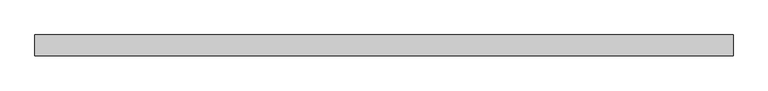
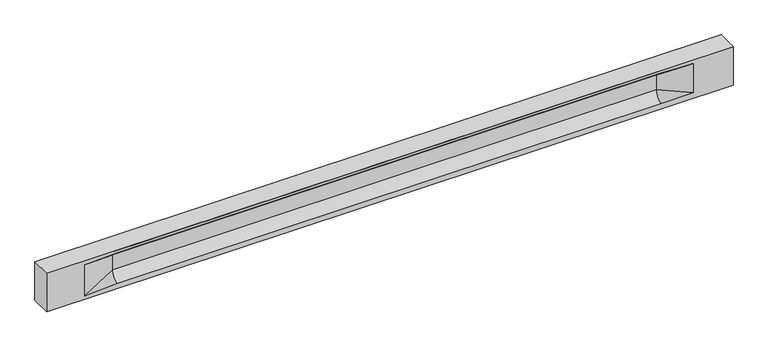
"""IFC4 building model written with IfcOpenShell, lengths in millimetres: beam geometry."""

from ifc_helpers import new_model, si_unit, frame, origin, place, context, project, spatial, polyline, circle_curve, source, transform, mapped, element, save
from ifc_brep_helpers import plane_surface, revolved_surface, spline_surface, advanced_brep


def beam_aae2626a(model_context):
    return source(origin(), model_context, "Body", "AdvancedBrep", [
        advanced_brep(
        [(8427.5, -250.0, 500.0), (8427.5, -250.0, -500.0), (8427.5, 250.0, -500.0), (8427.5, 250.0, 500.0), (-8427.5, -250.0, 500.0), (-8427.5, -250.0, -500.0), (7452.5, -250.0, -362.0), (6652.5, -250.0, -360.0), (-6697.5, -250.0, -360.0), (-7497.5, -250.0, -400.0), (-7497.5, -250.0, 400.0), (-6697.5, -250.0, 435.0), (6652.5, -250.0, 435.0), (7452.5, -250.0, 400.0), (-8427.5, 250.0, -500.0), (-8427.5, 250.0, 500.0), (7452.5, 250.0, 400.0), (6652.5, 250.0, 435.0), (-6697.5, 250.0, 435.0), (-7497.5, 250.0, 400.0), (-7497.5, 250.0, -400.0), (-6697.5, 250.0, -360.0), (6652.5, 250.0, -360.0), (7452.5, 250.0, -362.0), (6652.5, 155.0, 405.0), (-6697.5, 155.0, 405.0), (6652.5, 60.0, 262.777021), (-6697.5, 60.0, 262.777021), (6652.5, 60.0, -120.0), (-6697.5, 60.0, -120.0), (6652.5, -60.0, -120.0), (-6697.5, -60.0, -120.0), (6652.5, -60.0, 262.777021), (-6697.5, -60.0, 262.777021), (6652.5, -155.0, 405.0), (-6697.5, -155.0, 405.0)],
        [
            (0, 1),
            (1, 2),
            (2, 3),
            (3, 0),
            (0, 4),
            (4, 5),
            (5, 1),
            (6, 7),
            (7, 8),
            (8, 9),
            (9, 10),
            (10, 11),
            (11, 12),
            (12, 13),
            (13, 6),
            (5, 14),
            (14, 2),
            (14, 15),
            (15, 3),
            (16, 17),
            (17, 18),
            (18, 19),
            (19, 20),
            (20, 21),
            (21, 22),
            (22, 23),
            (23, 16),
            (15, 4),
            (17, 24),
            (24, 25),
            (25, 18),
            (24, 26, circle_curve(frame((6652.5, 213.9598725, 262.777021), z_axis=(1.0, 0.0, 0.0), x_axis=(0.0, 1.0, 0.0)), 153.9598725)),
            (26, 27),
            (27, 25, circle_curve(frame((-6697.5, 213.9598725, 262.777021), z_axis=(-1.0, 0.0, 0.0), x_axis=(0.0, 1.0, 0.0)), 153.9598725)),
            (26, 28),
            (28, 29),
            (29, 27),
            (28, 22, circle_curve(frame((6652.5, 306.5789474, -120.0), z_axis=(1.0, 0.0, 0.0), x_axis=(0.0, 1.0, 0.0)), 246.5789474)),
            (21, 29, circle_curve(frame((-6697.5, 306.5789474, -120.0), z_axis=(-1.0, 0.0, 0.0), x_axis=(0.0, 1.0, 0.0)), 246.5789474)),
            (7, 30, circle_curve(frame((6652.5, -306.5789474, -120.0), z_axis=(1.0, 0.0, 0.0), x_axis=(0.0, 1.0, 0.0)), 246.5789474)),
            (30, 31),
            (31, 8, circle_curve(frame((-6697.5, -306.5789474, -120.0), z_axis=(-1.0, 0.0, 0.0), x_axis=(0.0, 1.0, 0.0)), 246.5789474)),
            (30, 32),
            (32, 33),
            (33, 31),
            (32, 34, circle_curve(frame((6652.5, -213.9598725, 262.777021), z_axis=(1.0, 0.0, 0.0), x_axis=(0.0, 1.0, 0.0)), 153.9598725)),
            (34, 35),
            (35, 33, circle_curve(frame((-6697.5, -213.9598725, 262.777021), z_axis=(-1.0, 0.0, 0.0), x_axis=(0.0, 1.0, 0.0)), 153.9598725)),
            (34, 12),
            (11, 35),
            (27, 19),
            (19, 25),
            (10, 35),
            (10, 33),
            (9, 31),
            (20, 29),
            (34, 13),
            (32, 13),
            (30, 6),
            (28, 23),
            (26, 16),
            (24, 16),
        ],
        [
            plane_surface(frame((8427.5, 0.0, 0.0), z_axis=(1.0, 0.0, 0.0), x_axis=(0.0, 0.0, 1.0))),
            plane_surface(frame((8427.5, -250.0, 500.0), z_axis=(0.0, -1.0, 0.0), x_axis=(-1.0, 0.0, 0.0))),
            plane_surface(frame((8427.5, -250.0, -500.0), z_axis=(0.0, 0.0, -1.0), x_axis=(-1.0, 0.0, 0.0))),
            plane_surface(frame((8427.5, 250.0, -500.0), z_axis=(0.0, 1.0, 0.0), x_axis=(-1.0, 0.0, 0.0))),
            plane_surface(frame((8427.5, 250.0, 500.0), z_axis=(0.0, 0.0, 1.0), x_axis=(-1.0, 0.0, 0.0))),
            plane_surface(frame((-6697.5, 250.0, 435.0), z_axis=(0.0, 0.30113136793710954, -0.9535826651341378), x_axis=(1.0, 0.0, 0.0))),
            revolved_surface(polyline([(6652.5, 367.919745, 262.777021), (-6697.5, 367.919745, 262.777021)]), (-6697.5, 213.9598725, 262.777021), (1.0, 0.0, 0.0)),
            plane_surface(frame((-6697.5, 60.0, 262.777021), z_axis=(0.0, 1.0, 0.0), x_axis=(1.0, 0.0, 0.0))),
            revolved_surface(polyline([(6652.5, 553.1578948, -120.0), (-6697.5, 553.1578948, -120.0)]), (-6697.5, 306.5789474, -120.0), (1.0, 0.0, 0.0)),
            revolved_surface(polyline([(6652.5, -60.0, -120.0), (-6697.5, -60.0, -120.0)]), (-6697.5, -306.5789474, -120.0), (1.0, 0.0, 0.0)),
            plane_surface(frame((-6697.5, -60.0, -120.0), z_axis=(0.0, -1.0, 0.0), x_axis=(1.0, 0.0, 0.0))),
            revolved_surface(polyline([(6652.5, -60.0, 262.777021), (-6697.5, -60.0, 262.777021)]), (-6697.5, -213.9598725, 262.777021), (1.0, 0.0, 0.0)),
            plane_surface(frame((-6697.5, -155.0, 405.0), z_axis=(0.0, -0.30113136793710693, -0.9535826651341387), x_axis=(1.0, 0.0, 0.0))),
            spline_surface(2, 1, [[(-7497.5, 250.0, 400.0), (-6697.5, 60.0, 262.777021)], [(-7497.5, 250.0, 400.0), (-6697.5, 59.99999995452379, 365.6168572954922)], [(-7497.5, 250.0, 400.0), (-6697.5, 155.0, 405.0)]], [3, 3], [2, 2], [0.0, 1.0], [0.0, 1.0], weights=[[1.0, 1.0], [0.8315515921160737, 0.8315515921160737], [1.0, 1.0]]),
            plane_surface(frame((-7497.5, 250.0, 400.0), z_axis=(0.04168298285568782, 0.30086965068766386, -0.9527538938442265), x_axis=(0.0, 0.9535826651341378, 0.30113136793710954))),
            plane_surface(frame((-7497.5, -250.0, 400.0), z_axis=(0.04168298285568785, -0.30086965068766125, -0.9527538938442274), x_axis=(0.0, 0.9535826651341387, -0.30113136793710693))),
            spline_surface(2, 1, [[(-7497.5, -250.0, 400.0), (-6697.5, -155.0, 405.0)], [(-7497.5, -250.0, 400.0), (-6697.5, -60.00000008030692, 365.6168572114734)], [(-7497.5, -250.0, 400.0), (-6697.5, -60.0, 262.777021)]], [3, 3], [2, 2], [0.0, 1.0], [0.0, 1.0], weights=[[1.0, 1.0], [0.8315515924557569, 0.8315515924557569], [1.0, 1.0]]),
            plane_surface(frame((-7497.5, -250.0, 0.0), z_axis=(0.23107243079589995, -0.9729365507195595, 0.0), x_axis=(0.0, 0.0, -1.0))),
            spline_surface(2, 1, [[(-7497.5, -250.0, -400.0), (-6697.5, -60.0, -120.0)], [(-7497.5, -250.0, -400.0), (-6697.5, -59.99999998020837, -315.20833333333337)], [(-7497.5, -250.0, -400.0), (-6697.5, -250.0, -360.0)]], [3, 3], [2, 2], [0.0, 1.0], [0.0, 1.0], weights=[[1.0, 1.0], [0.7840458244617614, 0.7840458244617614], [1.0, 1.0]]),
            spline_surface(2, 1, [[(-7497.5, 250.0, -400.0), (-6697.5, 250.0, -360.0)], [(-7497.5, 250.0, -400.0), (-6697.5, 60.00000002887427, -315.20833329480604)], [(-7497.5, 250.0, -400.0), (-6697.5, 60.0, -120.0)]], [3, 3], [2, 2], [0.0, 1.0], [0.0, 1.0], weights=[[1.0, 1.0], [0.7840458245391329, 0.7840458245391329], [1.0, 1.0]]),
            plane_surface(frame((-7497.5, 250.0, 0.0), z_axis=(0.23107243079589565, 0.9729365507195605, 0.0), x_axis=(0.0, 0.0, 1.0))),
            plane_surface(frame((-8427.5, 0.0, 0.0), z_axis=(-1.0, 0.0, 0.0), x_axis=(0.0, 0.0, 1.0))),
            plane_surface(frame((6652.5, -202.5, 420.0), z_axis=(-0.04168298285568757, -0.30086965068766125, -0.9527538938442274), x_axis=(0.0, 0.9535826651341387, -0.30113136793710693))),
            spline_surface(2, 1, [[(6652.5, -155.0, 405.0), (7452.5, -250.0, 400.0)], [(6652.5, -60.00000008030692, 365.6168572114734), (7452.5, -250.0, 400.0)], [(6652.5, -60.0, 262.777021), (7452.5, -250.0, 400.0)]], [3, 3], [2, 2], [0.0, 1.0], [0.0, 1.0], weights=[[1.0, 1.0], [0.8315515924557569, 0.8315515924557569], [1.0, 1.0]]),
            plane_surface(frame((6652.5, -60.0, 71.3885105), z_axis=(-0.23107243079589793, -0.9729365507195601, 0.0), x_axis=(0.0, 0.0, -1.0))),
            spline_surface(2, 1, [[(6652.5, -60.0, -120.0), (7452.5, -250.0, -362.0)], [(6652.5, -59.99999998020837, -315.20833333333337), (7452.5, -250.0, -362.0)], [(6652.5, -250.0, -360.0), (7452.5, -250.0, -362.0)]], [3, 3], [2, 2], [0.0, 1.0], [0.0, 1.0], weights=[[1.0, 1.0], [0.7840458244617614, 0.7840458244617614], [1.0, 1.0]]),
            spline_surface(2, 1, [[(6652.5, 250.0, -360.0), (7452.5, 250.0, -362.0)], [(6652.5, 60.00000002887427, -315.20833329480604), (7452.5, 250.0, -362.0)], [(6652.5, 60.0, -120.0), (7452.5, 250.0, -362.0)]], [3, 3], [2, 2], [0.0, 1.0], [0.0, 1.0], weights=[[1.0, 1.0], [0.7840458245391329, 0.7840458245391329], [1.0, 1.0]]),
            plane_surface(frame((6652.5, 60.0, 71.3885105), z_axis=(-0.2310724307958915, 0.9729365507195615, 0.0), x_axis=(0.0, 0.0, 1.0))),
            spline_surface(2, 1, [[(6652.5, 60.0, 262.777021), (7452.5, 250.0, 400.0)], [(6652.5, 59.99999995452379, 365.6168572954922), (7452.5, 250.0, 400.0)], [(6652.5, 155.0, 405.0), (7452.5, 250.0, 400.0)]], [3, 3], [2, 2], [0.0, 1.0], [0.0, 1.0], weights=[[1.0, 1.0], [0.8315515921160737, 0.8315515921160737], [1.0, 1.0]]),
            plane_surface(frame((6652.5, 202.5, 420.0), z_axis=(-0.041682982855686834, 0.30086965068766386, -0.9527538938442265), x_axis=(0.0, 0.9535826651341378, 0.30113136793710954))),
        ],
        [
            (0, [[1, 2, 3, 4]]),
            (1, [[-1, 5, 6, 7], [8, 9, 10, 11, 12, 13, 14, 15]]),
            (2, [[-2, -7, 16, 17]]),
            (3, [[-3, -17, 18, 19], [20, 21, 22, 23, 24, 25, 26, 27]]),
            (4, [[-5, -4, -19, 28]]),
            (5, [[-21, 29, 30, 31]]),
            (6, [[-30, 32, 33, 34]]),
            (7, [[-33, 35, 36, 37]]),
            (8, [[-36, 38, -25, 39]]),
            (9, [[-9, 40, 41, 42]]),
            (10, [[-41, 43, 44, 45]]),
            (11, [[-44, 46, 47, 48]]),
            (12, [[-47, 49, -13, 50]]),
            (13, [[51, 52, -34]]),
            (14, [[-52, -22, -31]]),
            (15, [[-12, 53, -50]]),
            (16, [[-53, 54, -48]]),
            (17, [[-54, -11, 55, -45]]),
            (18, [[-55, -10, -42]]),
            (19, [[-24, 56, -39]]),
            (20, [[-51, -37, -56, -23]]),
            (21, [[-28, -18, -16, -6]]),
            (22, [[-14, -49, 57]]),
            (23, [[-57, -46, 58]]),
            (24, [[-58, -43, 59, -15]]),
            (25, [[-59, -40, -8]]),
            (26, [[-26, -38, 60]]),
            (27, [[-60, -35, 61, -27]]),
            (28, [[-61, -32, 62]]),
            (29, [[-62, -29, -20]]),
        ],
    ),
    ])


if __name__ == "__main__":
    model = new_model("IFC4")
    model_context = context("Model", 3, world=origin())
    ifc_project = project(units=[si_unit("LENGTHUNIT", "METRE", prefix="MILLI")], contexts=[model_context])
    site = spatial("IfcSite", under=ifc_project)
    building = spatial("IfcBuilding", under=site)
    placement = place(None, origin())
    beam_shape = beam_aae2626a(model_context)
    element("IfcBeam", 1, at=placement, inside=building, context=model_context, shape_type="MappedRepresentation", body=[
        mapped(beam_shape, transform((0.0, 0.0, 0.0), x_axis=(1.0, 0.0, 0.0), y_axis=(0.0, 1.0, 0.0), z_axis=(0.0, 0.0, 1.0))),
    ])
    save(model, "model.ifc")
